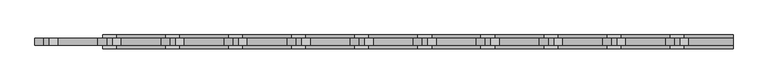
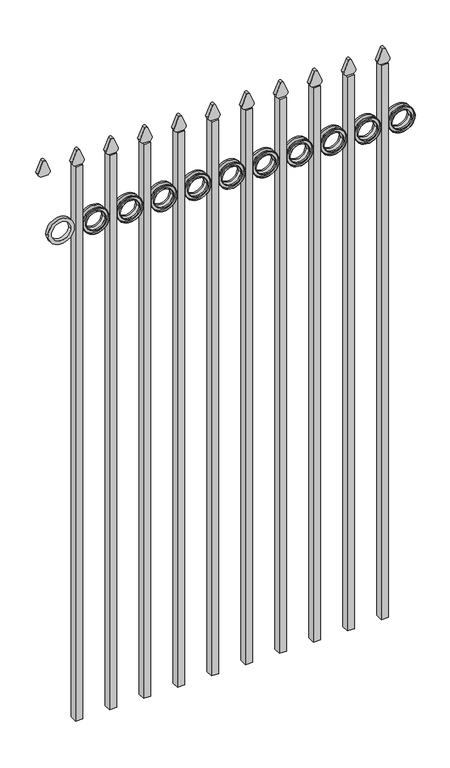
"""IFC4 building model written with IfcOpenShell, lengths in millimetres: railing geometry."""

from ifc_helpers import new_model, si_unit, point, frame, frame_2d, origin, place, context, project, spatial, polyline, circle_curve, trimmed, segment, composite_curve, outline, extrude, source, transform, mapped, element, save


def railing_c1eb9f95(model_context):
    return source(origin(), model_context, "Body", "SweptSolid", [
        extrude(outline(composite_curve([segment(polyline([(2074.2798417, -22591.9399936), (2074.2798417, -22566.2493116)]), True, "CONTINUOUS"), segment(trimmed(circle_curve(frame_2d((2092.5299402, -22580.4122336)), 23.1009622), [point((2074.2798417, -22566.2493116))], [point((2087.0676176, -22557.9663545))], False, "CARTESIAN"), True, "CONTINUOUS"), segment(polyline([(2087.0676176, -22557.9663545), (2127.5555225, -22574.2855644)]), True, "CONTINUOUS"), segment(trimmed(circle_curve(frame_2d((2124.4045804, -22579.4155764)), 6.0204202), [point((2127.5555225, -22574.2855644))], [point((2127.5555225, -22584.5455884))], False, "CARTESIAN"), True, "CONTINUOUS"), segment(polyline([(2127.5555225, -22584.5455884), (2088.3339948, -22600.4937724)]), True, "CONTINUOUS"), segment(trimmed(circle_curve(frame_2d((2092.5299402, -22577.7770716)), 23.1009622), [point((2088.3339948, -22600.4937724))], [point((2074.2798417, -22591.9399936))], False, "CARTESIAN"), True, "CONTINUOUS")], self_intersect=False)), frame((0.0, 8838.569541, 0.0), z_axis=(0.0, 1.0, 0.0), x_axis=(0.0, 0.0, 1.0)), (0.0, 0.0, 1.0), 12.7),
        extrude(outline(composite_curve([segment(trimmed(circle_curve(frame_2d((1851.7853669, -22520.4442595)), 45.6988591), [point((1851.7853669, -22474.7454004))], [point((1851.7853669, -22566.1431186))], False, "CARTESIAN"), True, "CONTINUOUS"), segment(trimmed(circle_curve(frame_2d((1851.7853669, -22520.4442595)), 45.6988591), [point((1851.7853669, -22566.1431186))], [point((1851.7853669, -22474.7454004))], False, "CARTESIAN"), True, "CONTINUOUS")], self_intersect=False), holes=[composite_curve([segment(trimmed(circle_curve(frame_2d((1851.7853669, -22520.4442595)), 33.0443887), [point((1851.7853669, -22487.3998708))], [point((1851.7853669, -22553.4886482))], True, "CARTESIAN"), True, "CONTINUOUS"), segment(trimmed(circle_curve(frame_2d((1851.7853669, -22520.4442595)), 33.0443887), [point((1851.7853669, -22553.4886482))], [point((1851.7853669, -22487.3998708))], True, "CARTESIAN"), True, "CONTINUOUS")], self_intersect=False)]), frame((0.0, 8838.569541, 0.0), z_axis=(0.0, 1.0, 0.0), x_axis=(0.0, 0.0, 1.0)), (0.0, 0.0, 1.0), 12.7),
        extrude(outline(polyline([(-22591.9399936, 8857.619541), (-22566.5399936, 8857.619541), (-22566.5399936, 8832.219541), (-22591.9399936, 8832.219541), (-22591.9399936, 8857.619541)])), frame((0.0, 0.0, 50.8), z_axis=(0.0, 0.0, 1.0), x_axis=(1.0, 0.0, 0.0)), (0.0, 0.0, 1.0), 2023.2579232),
        extrude(outline(composite_curve([segment(trimmed(circle_curve(frame_2d((1851.7853669, -22520.4442595)), 45.6988591), [point((1851.7853669, -22474.7454004))], [point((1851.7853669, -22566.1431186))], False, "CARTESIAN"), True, "CONTINUOUS"), segment(trimmed(circle_curve(frame_2d((1851.7853669, -22520.4442595)), 45.6988591), [point((1851.7853669, -22566.1431186))], [point((1851.7853669, -22474.7454004))], False, "CARTESIAN"), True, "CONTINUOUS")], self_intersect=False), holes=[composite_curve([segment(trimmed(circle_curve(frame_2d((1851.7853669, -22520.4442595)), 44.101539), [point((1851.7853669, -22476.3427205))], [point((1851.7853669, -22564.5457985))], True, "CARTESIAN"), True, "CONTINUOUS"), segment(trimmed(circle_curve(frame_2d((1851.7853669, -22520.4442595)), 44.101539), [point((1851.7853669, -22564.5457985))], [point((1851.7853669, -22476.3427205))], True, "CARTESIAN"), True, "CONTINUOUS")], self_intersect=False)]), frame((0.0, 8832.219541, 0.0), z_axis=(0.0, 1.0, 0.0), x_axis=(0.0, 0.0, 1.0)), (0.0, 0.0, 1.0), 25.4),
        extrude(outline(composite_curve([segment(trimmed(circle_curve(frame_2d((1851.7853669, -22520.4442595)), 34.6370762), [point((1851.7853669, -22485.8071833))], [point((1851.7853669, -22555.0813357))], False, "CARTESIAN"), True, "CONTINUOUS"), segment(trimmed(circle_curve(frame_2d((1851.7853669, -22520.4442595)), 34.6370762), [point((1851.7853669, -22555.0813357))], [point((1851.7853669, -22485.8071833))], False, "CARTESIAN"), True, "CONTINUOUS")], self_intersect=False), holes=[composite_curve([segment(trimmed(circle_curve(frame_2d((1851.7853669, -22520.4442595)), 33.0443887), [point((1851.7853669, -22487.3998708))], [point((1851.7853669, -22553.4886482))], True, "CARTESIAN"), True, "CONTINUOUS"), segment(trimmed(circle_curve(frame_2d((1851.7853669, -22520.4442595)), 33.0443887), [point((1851.7853669, -22553.4886482))], [point((1851.7853669, -22487.3998708))], True, "CARTESIAN"), True, "CONTINUOUS")], self_intersect=False)]), frame((0.0, 8832.219541, 0.0), z_axis=(0.0, 1.0, 0.0), x_axis=(0.0, 0.0, 1.0)), (0.0, 0.0, 1.0), 25.4),
        extrude(outline(composite_curve([segment(polyline([(2074.2798417, -22709.4149936), (2074.2798417, -22683.7243116)]), True, "CONTINUOUS"), segment(trimmed(circle_curve(frame_2d((2092.5299402, -22697.8872336)), 23.1009622), [point((2074.2798417, -22683.7243116))], [point((2087.0676176, -22675.4413545))], False, "CARTESIAN"), True, "CONTINUOUS"), segment(polyline([(2087.0676176, -22675.4413545), (2127.5555225, -22691.7605644)]), True, "CONTINUOUS"), segment(trimmed(circle_curve(frame_2d((2124.4045804, -22696.8905764)), 6.0204202), [point((2127.5555225, -22691.7605644))], [point((2127.5555225, -22702.0205884))], False, "CARTESIAN"), True, "CONTINUOUS"), segment(polyline([(2127.5555225, -22702.0205884), (2088.3339948, -22717.9687724)]), True, "CONTINUOUS"), segment(trimmed(circle_curve(frame_2d((2092.5299402, -22695.2520716)), 23.1009622), [point((2088.3339948, -22717.9687724))], [point((2074.2798417, -22709.4149936))], False, "CARTESIAN"), True, "CONTINUOUS")], self_intersect=False)), frame((0.0, 8838.569541, 0.0), z_axis=(0.0, 1.0, 0.0), x_axis=(0.0, 0.0, 1.0)), (0.0, 0.0, 1.0), 12.7),
        extrude(outline(composite_curve([segment(trimmed(circle_curve(frame_2d((1851.7853669, -22637.9192595)), 45.6988591), [point((1851.7853669, -22592.2204004))], [point((1851.7853669, -22683.6181186))], False, "CARTESIAN"), True, "CONTINUOUS"), segment(trimmed(circle_curve(frame_2d((1851.7853669, -22637.9192595)), 45.6988591), [point((1851.7853669, -22683.6181186))], [point((1851.7853669, -22592.2204004))], False, "CARTESIAN"), True, "CONTINUOUS")], self_intersect=False), holes=[composite_curve([segment(trimmed(circle_curve(frame_2d((1851.7853669, -22637.9192595)), 33.0443887), [point((1851.7853669, -22604.8748708))], [point((1851.7853669, -22670.9636482))], True, "CARTESIAN"), True, "CONTINUOUS"), segment(trimmed(circle_curve(frame_2d((1851.7853669, -22637.9192595)), 33.0443887), [point((1851.7853669, -22670.9636482))], [point((1851.7853669, -22604.8748708))], True, "CARTESIAN"), True, "CONTINUOUS")], self_intersect=False)]), frame((0.0, 8838.569541, 0.0), z_axis=(0.0, 1.0, 0.0), x_axis=(0.0, 0.0, 1.0)), (0.0, 0.0, 1.0), 12.7),
        extrude(outline(polyline([(-22709.4149936, 8857.619541), (-22684.0149936, 8857.619541), (-22684.0149936, 8832.219541), (-22709.4149936, 8832.219541), (-22709.4149936, 8857.619541)])), frame((0.0, 0.0, 50.8), z_axis=(0.0, 0.0, 1.0), x_axis=(1.0, 0.0, 0.0)), (0.0, 0.0, 1.0), 2023.2579232),
        extrude(outline(composite_curve([segment(trimmed(circle_curve(frame_2d((1851.7853669, -22637.9192595)), 45.6988591), [point((1851.7853669, -22592.2204004))], [point((1851.7853669, -22683.6181186))], False, "CARTESIAN"), True, "CONTINUOUS"), segment(trimmed(circle_curve(frame_2d((1851.7853669, -22637.9192595)), 45.6988591), [point((1851.7853669, -22683.6181186))], [point((1851.7853669, -22592.2204004))], False, "CARTESIAN"), True, "CONTINUOUS")], self_intersect=False), holes=[composite_curve([segment(trimmed(circle_curve(frame_2d((1851.7853669, -22637.9192595)), 44.101539), [point((1851.7853669, -22593.8177205))], [point((1851.7853669, -22682.0207985))], True, "CARTESIAN"), True, "CONTINUOUS"), segment(trimmed(circle_curve(frame_2d((1851.7853669, -22637.9192595)), 44.101539), [point((1851.7853669, -22682.0207985))], [point((1851.7853669, -22593.8177205))], True, "CARTESIAN"), True, "CONTINUOUS")], self_intersect=False)]), frame((0.0, 8832.219541, 0.0), z_axis=(0.0, 1.0, 0.0), x_axis=(0.0, 0.0, 1.0)), (0.0, 0.0, 1.0), 25.4),
        extrude(outline(composite_curve([segment(trimmed(circle_curve(frame_2d((1851.7853669, -22637.9192595)), 34.6370762), [point((1851.7853669, -22603.2821833))], [point((1851.7853669, -22672.5563357))], False, "CARTESIAN"), True, "CONTINUOUS"), segment(trimmed(circle_curve(frame_2d((1851.7853669, -22637.9192595)), 34.6370762), [point((1851.7853669, -22672.5563357))], [point((1851.7853669, -22603.2821833))], False, "CARTESIAN"), True, "CONTINUOUS")], self_intersect=False), holes=[composite_curve([segment(trimmed(circle_curve(frame_2d((1851.7853669, -22637.9192595)), 33.0443887), [point((1851.7853669, -22604.8748708))], [point((1851.7853669, -22670.9636482))], True, "CARTESIAN"), True, "CONTINUOUS"), segment(trimmed(circle_curve(frame_2d((1851.7853669, -22637.9192595)), 33.0443887), [point((1851.7853669, -22670.9636482))], [point((1851.7853669, -22604.8748708))], True, "CARTESIAN"), True, "CONTINUOUS")], self_intersect=False)]), frame((0.0, 8832.219541, 0.0), z_axis=(0.0, 1.0, 0.0), x_axis=(0.0, 0.0, 1.0)), (0.0, 0.0, 1.0), 25.4),
        extrude(outline(composite_curve([segment(polyline([(2074.2798417, -22826.8899936), (2074.2798417, -22801.1993116)]), True, "CONTINUOUS"), segment(trimmed(circle_curve(frame_2d((2092.5299402, -22815.3622336)), 23.1009622), [point((2074.2798417, -22801.1993116))], [point((2087.0676176, -22792.9163545))], False, "CARTESIAN"), True, "CONTINUOUS"), segment(polyline([(2087.0676176, -22792.9163545), (2127.5555225, -22809.2355644)]), True, "CONTINUOUS"), segment(trimmed(circle_curve(frame_2d((2124.4045804, -22814.3655764)), 6.0204202), [point((2127.5555225, -22809.2355644))], [point((2127.5555225, -22819.4955884))], False, "CARTESIAN"), True, "CONTINUOUS"), segment(polyline([(2127.5555225, -22819.4955884), (2088.3339948, -22835.4437724)]), True, "CONTINUOUS"), segment(trimmed(circle_curve(frame_2d((2092.5299402, -22812.7270716)), 23.1009622), [point((2088.3339948, -22835.4437724))], [point((2074.2798417, -22826.8899936))], False, "CARTESIAN"), True, "CONTINUOUS")], self_intersect=False)), frame((0.0, 8838.569541, 0.0), z_axis=(0.0, 1.0, 0.0), x_axis=(0.0, 0.0, 1.0)), (0.0, 0.0, 1.0), 12.7),
        extrude(outline(composite_curve([segment(trimmed(circle_curve(frame_2d((1851.7853669, -22755.3942595)), 45.6988591), [point((1851.7853669, -22709.6954004))], [point((1851.7853669, -22801.0931186))], False, "CARTESIAN"), True, "CONTINUOUS"), segment(trimmed(circle_curve(frame_2d((1851.7853669, -22755.3942595)), 45.6988591), [point((1851.7853669, -22801.0931186))], [point((1851.7853669, -22709.6954004))], False, "CARTESIAN"), True, "CONTINUOUS")], self_intersect=False), holes=[composite_curve([segment(trimmed(circle_curve(frame_2d((1851.7853669, -22755.3942595)), 33.0443887), [point((1851.7853669, -22722.3498708))], [point((1851.7853669, -22788.4386482))], True, "CARTESIAN"), True, "CONTINUOUS"), segment(trimmed(circle_curve(frame_2d((1851.7853669, -22755.3942595)), 33.0443887), [point((1851.7853669, -22788.4386482))], [point((1851.7853669, -22722.3498708))], True, "CARTESIAN"), True, "CONTINUOUS")], self_intersect=False)]), frame((0.0, 8838.569541, 0.0), z_axis=(0.0, 1.0, 0.0), x_axis=(0.0, 0.0, 1.0)), (0.0, 0.0, 1.0), 12.7),
        extrude(outline(polyline([(-22826.8899936, 8857.619541), (-22801.4899936, 8857.619541), (-22801.4899936, 8832.219541), (-22826.8899936, 8832.219541), (-22826.8899936, 8857.619541)])), frame((0.0, 0.0, 50.8), z_axis=(0.0, 0.0, 1.0), x_axis=(1.0, 0.0, 0.0)), (0.0, 0.0, 1.0), 2023.2579232),
        extrude(outline(composite_curve([segment(trimmed(circle_curve(frame_2d((1851.7853669, -22755.3942595)), 45.6988591), [point((1851.7853669, -22709.6954004))], [point((1851.7853669, -22801.0931186))], False, "CARTESIAN"), True, "CONTINUOUS"), segment(trimmed(circle_curve(frame_2d((1851.7853669, -22755.3942595)), 45.6988591), [point((1851.7853669, -22801.0931186))], [point((1851.7853669, -22709.6954004))], False, "CARTESIAN"), True, "CONTINUOUS")], self_intersect=False), holes=[composite_curve([segment(trimmed(circle_curve(frame_2d((1851.7853669, -22755.3942595)), 44.101539), [point((1851.7853669, -22711.2927205))], [point((1851.7853669, -22799.4957985))], True, "CARTESIAN"), True, "CONTINUOUS"), segment(trimmed(circle_curve(frame_2d((1851.7853669, -22755.3942595)), 44.101539), [point((1851.7853669, -22799.4957985))], [point((1851.7853669, -22711.2927205))], True, "CARTESIAN"), True, "CONTINUOUS")], self_intersect=False)]), frame((0.0, 8832.219541, 0.0), z_axis=(0.0, 1.0, 0.0), x_axis=(0.0, 0.0, 1.0)), (0.0, 0.0, 1.0), 25.4),
        extrude(outline(composite_curve([segment(trimmed(circle_curve(frame_2d((1851.7853669, -22755.3942595)), 34.6370762), [point((1851.7853669, -22720.7571833))], [point((1851.7853669, -22790.0313357))], False, "CARTESIAN"), True, "CONTINUOUS"), segment(trimmed(circle_curve(frame_2d((1851.7853669, -22755.3942595)), 34.6370762), [point((1851.7853669, -22790.0313357))], [point((1851.7853669, -22720.7571833))], False, "CARTESIAN"), True, "CONTINUOUS")], self_intersect=False), holes=[composite_curve([segment(trimmed(circle_curve(frame_2d((1851.7853669, -22755.3942595)), 33.0443887), [point((1851.7853669, -22722.3498708))], [point((1851.7853669, -22788.4386482))], True, "CARTESIAN"), True, "CONTINUOUS"), segment(trimmed(circle_curve(frame_2d((1851.7853669, -22755.3942595)), 33.0443887), [point((1851.7853669, -22788.4386482))], [point((1851.7853669, -22722.3498708))], True, "CARTESIAN"), True, "CONTINUOUS")], self_intersect=False)]), frame((0.0, 8832.219541, 0.0), z_axis=(0.0, 1.0, 0.0), x_axis=(0.0, 0.0, 1.0)), (0.0, 0.0, 1.0), 25.4),
        extrude(outline(composite_curve([segment(polyline([(2074.2798417, -22944.3649936), (2074.2798417, -22918.6743116)]), True, "CONTINUOUS"), segment(trimmed(circle_curve(frame_2d((2092.5299402, -22932.8372336)), 23.1009622), [point((2074.2798417, -22918.6743116))], [point((2087.0676176, -22910.3913545))], False, "CARTESIAN"), True, "CONTINUOUS"), segment(polyline([(2087.0676176, -22910.3913545), (2127.5555225, -22926.7105644)]), True, "CONTINUOUS"), segment(trimmed(circle_curve(frame_2d((2124.4045804, -22931.8405764)), 6.0204202), [point((2127.5555225, -22926.7105644))], [point((2127.5555225, -22936.9705884))], False, "CARTESIAN"), True, "CONTINUOUS"), segment(polyline([(2127.5555225, -22936.9705884), (2088.3339948, -22952.9187724)]), True, "CONTINUOUS"), segment(trimmed(circle_curve(frame_2d((2092.5299402, -22930.2020716)), 23.1009622), [point((2088.3339948, -22952.9187724))], [point((2074.2798417, -22944.3649936))], False, "CARTESIAN"), True, "CONTINUOUS")], self_intersect=False)), frame((0.0, 8838.569541, 0.0), z_axis=(0.0, 1.0, 0.0), x_axis=(0.0, 0.0, 1.0)), (0.0, 0.0, 1.0), 12.7),
        extrude(outline(composite_curve([segment(trimmed(circle_curve(frame_2d((1851.7853669, -22872.8692595)), 45.6988591), [point((1851.7853669, -22827.1704004))], [point((1851.7853669, -22918.5681186))], False, "CARTESIAN"), True, "CONTINUOUS"), segment(trimmed(circle_curve(frame_2d((1851.7853669, -22872.8692595)), 45.6988591), [point((1851.7853669, -22918.5681186))], [point((1851.7853669, -22827.1704004))], False, "CARTESIAN"), True, "CONTINUOUS")], self_intersect=False), holes=[composite_curve([segment(trimmed(circle_curve(frame_2d((1851.7853669, -22872.8692595)), 33.0443887), [point((1851.7853669, -22839.8248708))], [point((1851.7853669, -22905.9136482))], True, "CARTESIAN"), True, "CONTINUOUS"), segment(trimmed(circle_curve(frame_2d((1851.7853669, -22872.8692595)), 33.0443887), [point((1851.7853669, -22905.9136482))], [point((1851.7853669, -22839.8248708))], True, "CARTESIAN"), True, "CONTINUOUS")], self_intersect=False)]), frame((0.0, 8838.569541, 0.0), z_axis=(0.0, 1.0, 0.0), x_axis=(0.0, 0.0, 1.0)), (0.0, 0.0, 1.0), 12.7),
        extrude(outline(polyline([(-22944.3649936, 8857.619541), (-22918.9649936, 8857.619541), (-22918.9649936, 8832.219541), (-22944.3649936, 8832.219541), (-22944.3649936, 8857.619541)])), frame((0.0, 0.0, 50.8), z_axis=(0.0, 0.0, 1.0), x_axis=(1.0, 0.0, 0.0)), (0.0, 0.0, 1.0), 2023.2579232),
        extrude(outline(composite_curve([segment(trimmed(circle_curve(frame_2d((1851.7853669, -22872.8692595)), 45.6988591), [point((1851.7853669, -22827.1704004))], [point((1851.7853669, -22918.5681186))], False, "CARTESIAN"), True, "CONTINUOUS"), segment(trimmed(circle_curve(frame_2d((1851.7853669, -22872.8692595)), 45.6988591), [point((1851.7853669, -22918.5681186))], [point((1851.7853669, -22827.1704004))], False, "CARTESIAN"), True, "CONTINUOUS")], self_intersect=False), holes=[composite_curve([segment(trimmed(circle_curve(frame_2d((1851.7853669, -22872.8692595)), 44.101539), [point((1851.7853669, -22828.7677205))], [point((1851.7853669, -22916.9707985))], True, "CARTESIAN"), True, "CONTINUOUS"), segment(trimmed(circle_curve(frame_2d((1851.7853669, -22872.8692595)), 44.101539), [point((1851.7853669, -22916.9707985))], [point((1851.7853669, -22828.7677205))], True, "CARTESIAN"), True, "CONTINUOUS")], self_intersect=False)]), frame((0.0, 8832.219541, 0.0), z_axis=(0.0, 1.0, 0.0), x_axis=(0.0, 0.0, 1.0)), (0.0, 0.0, 1.0), 25.4),
        extrude(outline(composite_curve([segment(trimmed(circle_curve(frame_2d((1851.7853669, -22872.8692595)), 34.6370762), [point((1851.7853669, -22838.2321833))], [point((1851.7853669, -22907.5063357))], False, "CARTESIAN"), True, "CONTINUOUS"), segment(trimmed(circle_curve(frame_2d((1851.7853669, -22872.8692595)), 34.6370762), [point((1851.7853669, -22907.5063357))], [point((1851.7853669, -22838.2321833))], False, "CARTESIAN"), True, "CONTINUOUS")], self_intersect=False), holes=[composite_curve([segment(trimmed(circle_curve(frame_2d((1851.7853669, -22872.8692595)), 33.0443887), [point((1851.7853669, -22839.8248708))], [point((1851.7853669, -22905.9136482))], True, "CARTESIAN"), True, "CONTINUOUS"), segment(trimmed(circle_curve(frame_2d((1851.7853669, -22872.8692595)), 33.0443887), [point((1851.7853669, -22905.9136482))], [point((1851.7853669, -22839.8248708))], True, "CARTESIAN"), True, "CONTINUOUS")], self_intersect=False)]), frame((0.0, 8832.219541, 0.0), z_axis=(0.0, 1.0, 0.0), x_axis=(0.0, 0.0, 1.0)), (0.0, 0.0, 1.0), 25.4),
        extrude(outline(composite_curve([segment(polyline([(2074.2798417, -23061.8399936), (2074.2798417, -23036.1493116)]), True, "CONTINUOUS"), segment(trimmed(circle_curve(frame_2d((2092.5299402, -23050.3122336)), 23.1009622), [point((2074.2798417, -23036.1493116))], [point((2087.0676176, -23027.8663545))], False, "CARTESIAN"), True, "CONTINUOUS"), segment(polyline([(2087.0676176, -23027.8663545), (2127.5555225, -23044.1855644)]), True, "CONTINUOUS"), segment(trimmed(circle_curve(frame_2d((2124.4045804, -23049.3155764)), 6.0204202), [point((2127.5555225, -23044.1855644))], [point((2127.5555225, -23054.4455884))], False, "CARTESIAN"), True, "CONTINUOUS"), segment(polyline([(2127.5555225, -23054.4455884), (2088.3339948, -23070.3937724)]), True, "CONTINUOUS"), segment(trimmed(circle_curve(frame_2d((2092.5299402, -23047.6770716)), 23.1009622), [point((2088.3339948, -23070.3937724))], [point((2074.2798417, -23061.8399936))], False, "CARTESIAN"), True, "CONTINUOUS")], self_intersect=False)), frame((0.0, 8838.569541, 0.0), z_axis=(0.0, 1.0, 0.0), x_axis=(0.0, 0.0, 1.0)), (0.0, 0.0, 1.0), 12.7),
        extrude(outline(composite_curve([segment(trimmed(circle_curve(frame_2d((1851.7853669, -22990.3442595)), 45.6988591), [point((1851.7853669, -22944.6454004))], [point((1851.7853669, -23036.0431186))], False, "CARTESIAN"), True, "CONTINUOUS"), segment(trimmed(circle_curve(frame_2d((1851.7853669, -22990.3442595)), 45.6988591), [point((1851.7853669, -23036.0431186))], [point((1851.7853669, -22944.6454004))], False, "CARTESIAN"), True, "CONTINUOUS")], self_intersect=False), holes=[composite_curve([segment(trimmed(circle_curve(frame_2d((1851.7853669, -22990.3442595)), 33.0443887), [point((1851.7853669, -22957.2998708))], [point((1851.7853669, -23023.3886482))], True, "CARTESIAN"), True, "CONTINUOUS"), segment(trimmed(circle_curve(frame_2d((1851.7853669, -22990.3442595)), 33.0443887), [point((1851.7853669, -23023.3886482))], [point((1851.7853669, -22957.2998708))], True, "CARTESIAN"), True, "CONTINUOUS")], self_intersect=False)]), frame((0.0, 8838.569541, 0.0), z_axis=(0.0, 1.0, 0.0), x_axis=(0.0, 0.0, 1.0)), (0.0, 0.0, 1.0), 12.7),
        extrude(outline(polyline([(-23061.8399936, 8857.619541), (-23036.4399936, 8857.619541), (-23036.4399936, 8832.219541), (-23061.8399936, 8832.219541), (-23061.8399936, 8857.619541)])), frame((0.0, 0.0, 50.8), z_axis=(0.0, 0.0, 1.0), x_axis=(1.0, 0.0, 0.0)), (0.0, 0.0, 1.0), 2023.2579232),
        extrude(outline(composite_curve([segment(trimmed(circle_curve(frame_2d((1851.7853669, -22990.3442595)), 45.6988591), [point((1851.7853669, -22944.6454004))], [point((1851.7853669, -23036.0431186))], False, "CARTESIAN"), True, "CONTINUOUS"), segment(trimmed(circle_curve(frame_2d((1851.7853669, -22990.3442595)), 45.6988591), [point((1851.7853669, -23036.0431186))], [point((1851.7853669, -22944.6454004))], False, "CARTESIAN"), True, "CONTINUOUS")], self_intersect=False), holes=[composite_curve([segment(trimmed(circle_curve(frame_2d((1851.7853669, -22990.3442595)), 44.101539), [point((1851.7853669, -22946.2427205))], [point((1851.7853669, -23034.4457985))], True, "CARTESIAN"), True, "CONTINUOUS"), segment(trimmed(circle_curve(frame_2d((1851.7853669, -22990.3442595)), 44.101539), [point((1851.7853669, -23034.4457985))], [point((1851.7853669, -22946.2427205))], True, "CARTESIAN"), True, "CONTINUOUS")], self_intersect=False)]), frame((0.0, 8832.219541, 0.0), z_axis=(0.0, 1.0, 0.0), x_axis=(0.0, 0.0, 1.0)), (0.0, 0.0, 1.0), 25.4),
        extrude(outline(composite_curve([segment(trimmed(circle_curve(frame_2d((1851.7853669, -22990.3442595)), 34.6370762), [point((1851.7853669, -22955.7071833))], [point((1851.7853669, -23024.9813357))], False, "CARTESIAN"), True, "CONTINUOUS"), segment(trimmed(circle_curve(frame_2d((1851.7853669, -22990.3442595)), 34.6370762), [point((1851.7853669, -23024.9813357))], [point((1851.7853669, -22955.7071833))], False, "CARTESIAN"), True, "CONTINUOUS")], self_intersect=False), holes=[composite_curve([segment(trimmed(circle_curve(frame_2d((1851.7853669, -22990.3442595)), 33.0443887), [point((1851.7853669, -22957.2998708))], [point((1851.7853669, -23023.3886482))], True, "CARTESIAN"), True, "CONTINUOUS"), segment(trimmed(circle_curve(frame_2d((1851.7853669, -22990.3442595)), 33.0443887), [point((1851.7853669, -23023.3886482))], [point((1851.7853669, -22957.2998708))], True, "CARTESIAN"), True, "CONTINUOUS")], self_intersect=False)]), frame((0.0, 8832.219541, 0.0), z_axis=(0.0, 1.0, 0.0), x_axis=(0.0, 0.0, 1.0)), (0.0, 0.0, 1.0), 25.4),
        extrude(outline(composite_curve([segment(polyline([(2074.2798417, -23179.3149936), (2074.2798417, -23153.6243116)]), True, "CONTINUOUS"), segment(trimmed(circle_curve(frame_2d((2092.5299402, -23167.7872336)), 23.1009622), [point((2074.2798417, -23153.6243116))], [point((2087.0676176, -23145.3413545))], False, "CARTESIAN"), True, "CONTINUOUS"), segment(polyline([(2087.0676176, -23145.3413545), (2127.5555225, -23161.6605644)]), True, "CONTINUOUS"), segment(trimmed(circle_curve(frame_2d((2124.4045804, -23166.7905764)), 6.0204202), [point((2127.5555225, -23161.6605644))], [point((2127.5555225, -23171.9205884))], False, "CARTESIAN"), True, "CONTINUOUS"), segment(polyline([(2127.5555225, -23171.9205884), (2088.3339948, -23187.8687724)]), True, "CONTINUOUS"), segment(trimmed(circle_curve(frame_2d((2092.5299402, -23165.1520716)), 23.1009622), [point((2088.3339948, -23187.8687724))], [point((2074.2798417, -23179.3149936))], False, "CARTESIAN"), True, "CONTINUOUS")], self_intersect=False)), frame((0.0, 8838.569541, 0.0), z_axis=(0.0, 1.0, 0.0), x_axis=(0.0, 0.0, 1.0)), (0.0, 0.0, 1.0), 12.7),
        extrude(outline(composite_curve([segment(trimmed(circle_curve(frame_2d((1851.7853669, -23107.8192595)), 45.6988591), [point((1851.7853669, -23062.1204004))], [point((1851.7853669, -23153.5181186))], False, "CARTESIAN"), True, "CONTINUOUS"), segment(trimmed(circle_curve(frame_2d((1851.7853669, -23107.8192595)), 45.6988591), [point((1851.7853669, -23153.5181186))], [point((1851.7853669, -23062.1204004))], False, "CARTESIAN"), True, "CONTINUOUS")], self_intersect=False), holes=[composite_curve([segment(trimmed(circle_curve(frame_2d((1851.7853669, -23107.8192595)), 33.0443887), [point((1851.7853669, -23074.7748708))], [point((1851.7853669, -23140.8636482))], True, "CARTESIAN"), True, "CONTINUOUS"), segment(trimmed(circle_curve(frame_2d((1851.7853669, -23107.8192595)), 33.0443887), [point((1851.7853669, -23140.8636482))], [point((1851.7853669, -23074.7748708))], True, "CARTESIAN"), True, "CONTINUOUS")], self_intersect=False)]), frame((0.0, 8838.569541, 0.0), z_axis=(0.0, 1.0, 0.0), x_axis=(0.0, 0.0, 1.0)), (0.0, 0.0, 1.0), 12.7),
        extrude(outline(polyline([(-23179.3149936, 8857.619541), (-23153.9149936, 8857.619541), (-23153.9149936, 8832.219541), (-23179.3149936, 8832.219541), (-23179.3149936, 8857.619541)])), frame((0.0, 0.0, 50.8), z_axis=(0.0, 0.0, 1.0), x_axis=(1.0, 0.0, 0.0)), (0.0, 0.0, 1.0), 2023.2579232),
        extrude(outline(composite_curve([segment(trimmed(circle_curve(frame_2d((1851.7853669, -23107.8192595)), 45.6988591), [point((1851.7853669, -23062.1204004))], [point((1851.7853669, -23153.5181186))], False, "CARTESIAN"), True, "CONTINUOUS"), segment(trimmed(circle_curve(frame_2d((1851.7853669, -23107.8192595)), 45.6988591), [point((1851.7853669, -23153.5181186))], [point((1851.7853669, -23062.1204004))], False, "CARTESIAN"), True, "CONTINUOUS")], self_intersect=False), holes=[composite_curve([segment(trimmed(circle_curve(frame_2d((1851.7853669, -23107.8192595)), 44.101539), [point((1851.7853669, -23063.7177205))], [point((1851.7853669, -23151.9207985))], True, "CARTESIAN"), True, "CONTINUOUS"), segment(trimmed(circle_curve(frame_2d((1851.7853669, -23107.8192595)), 44.101539), [point((1851.7853669, -23151.9207985))], [point((1851.7853669, -23063.7177205))], True, "CARTESIAN"), True, "CONTINUOUS")], self_intersect=False)]), frame((0.0, 8832.219541, 0.0), z_axis=(0.0, 1.0, 0.0), x_axis=(0.0, 0.0, 1.0)), (0.0, 0.0, 1.0), 25.4),
        extrude(outline(composite_curve([segment(trimmed(circle_curve(frame_2d((1851.7853669, -23107.8192595)), 34.6370762), [point((1851.7853669, -23073.1821833))], [point((1851.7853669, -23142.4563357))], False, "CARTESIAN"), True, "CONTINUOUS"), segment(trimmed(circle_curve(frame_2d((1851.7853669, -23107.8192595)), 34.6370762), [point((1851.7853669, -23142.4563357))], [point((1851.7853669, -23073.1821833))], False, "CARTESIAN"), True, "CONTINUOUS")], self_intersect=False), holes=[composite_curve([segment(trimmed(circle_curve(frame_2d((1851.7853669, -23107.8192595)), 33.0443887), [point((1851.7853669, -23074.7748708))], [point((1851.7853669, -23140.8636482))], True, "CARTESIAN"), True, "CONTINUOUS"), segment(trimmed(circle_curve(frame_2d((1851.7853669, -23107.8192595)), 33.0443887), [point((1851.7853669, -23140.8636482))], [point((1851.7853669, -23074.7748708))], True, "CARTESIAN"), True, "CONTINUOUS")], self_intersect=False)]), frame((0.0, 8832.219541, 0.0), z_axis=(0.0, 1.0, 0.0), x_axis=(0.0, 0.0, 1.0)), (0.0, 0.0, 1.0), 25.4),
        extrude(outline(composite_curve([segment(polyline([(2074.2798417, -23296.7899936), (2074.2798417, -23271.0993116)]), True, "CONTINUOUS"), segment(trimmed(circle_curve(frame_2d((2092.5299402, -23285.2622336)), 23.1009622), [point((2074.2798417, -23271.0993116))], [point((2087.0676176, -23262.8163545))], False, "CARTESIAN"), True, "CONTINUOUS"), segment(polyline([(2087.0676176, -23262.8163545), (2127.5555225, -23279.1355644)]), True, "CONTINUOUS"), segment(trimmed(circle_curve(frame_2d((2124.4045804, -23284.2655764)), 6.0204202), [point((2127.5555225, -23279.1355644))], [point((2127.5555225, -23289.3955884))], False, "CARTESIAN"), True, "CONTINUOUS"), segment(polyline([(2127.5555225, -23289.3955884), (2088.3339948, -23305.3437724)]), True, "CONTINUOUS"), segment(trimmed(circle_curve(frame_2d((2092.5299402, -23282.6270716)), 23.1009622), [point((2088.3339948, -23305.3437724))], [point((2074.2798417, -23296.7899936))], False, "CARTESIAN"), True, "CONTINUOUS")], self_intersect=False)), frame((0.0, 8838.569541, 0.0), z_axis=(0.0, 1.0, 0.0), x_axis=(0.0, 0.0, 1.0)), (0.0, 0.0, 1.0), 12.7),
        extrude(outline(composite_curve([segment(trimmed(circle_curve(frame_2d((1851.7853669, -23225.2942595)), 45.6988591), [point((1851.7853669, -23179.5954004))], [point((1851.7853669, -23270.9931186))], False, "CARTESIAN"), True, "CONTINUOUS"), segment(trimmed(circle_curve(frame_2d((1851.7853669, -23225.2942595)), 45.6988591), [point((1851.7853669, -23270.9931186))], [point((1851.7853669, -23179.5954004))], False, "CARTESIAN"), True, "CONTINUOUS")], self_intersect=False), holes=[composite_curve([segment(trimmed(circle_curve(frame_2d((1851.7853669, -23225.2942595)), 33.0443887), [point((1851.7853669, -23192.2498708))], [point((1851.7853669, -23258.3386482))], True, "CARTESIAN"), True, "CONTINUOUS"), segment(trimmed(circle_curve(frame_2d((1851.7853669, -23225.2942595)), 33.0443887), [point((1851.7853669, -23258.3386482))], [point((1851.7853669, -23192.2498708))], True, "CARTESIAN"), True, "CONTINUOUS")], self_intersect=False)]), frame((0.0, 8838.569541, 0.0), z_axis=(0.0, 1.0, 0.0), x_axis=(0.0, 0.0, 1.0)), (0.0, 0.0, 1.0), 12.7),
        extrude(outline(polyline([(-23296.7899936, 8857.619541), (-23271.3899936, 8857.619541), (-23271.3899936, 8832.219541), (-23296.7899936, 8832.219541), (-23296.7899936, 8857.619541)])), frame((0.0, 0.0, 50.8), z_axis=(0.0, 0.0, 1.0), x_axis=(1.0, 0.0, 0.0)), (0.0, 0.0, 1.0), 2023.2579232),
        extrude(outline(composite_curve([segment(trimmed(circle_curve(frame_2d((1851.7853669, -23225.2942595)), 45.6988591), [point((1851.7853669, -23179.5954004))], [point((1851.7853669, -23270.9931186))], False, "CARTESIAN"), True, "CONTINUOUS"), segment(trimmed(circle_curve(frame_2d((1851.7853669, -23225.2942595)), 45.6988591), [point((1851.7853669, -23270.9931186))], [point((1851.7853669, -23179.5954004))], False, "CARTESIAN"), True, "CONTINUOUS")], self_intersect=False), holes=[composite_curve([segment(trimmed(circle_curve(frame_2d((1851.7853669, -23225.2942595)), 44.101539), [point((1851.7853669, -23181.1927205))], [point((1851.7853669, -23269.3957985))], True, "CARTESIAN"), True, "CONTINUOUS"), segment(trimmed(circle_curve(frame_2d((1851.7853669, -23225.2942595)), 44.101539), [point((1851.7853669, -23269.3957985))], [point((1851.7853669, -23181.1927205))], True, "CARTESIAN"), True, "CONTINUOUS")], self_intersect=False)]), frame((0.0, 8832.219541, 0.0), z_axis=(0.0, 1.0, 0.0), x_axis=(0.0, 0.0, 1.0)), (0.0, 0.0, 1.0), 25.4),
        extrude(outline(composite_curve([segment(trimmed(circle_curve(frame_2d((1851.7853669, -23225.2942595)), 34.6370762), [point((1851.7853669, -23190.6571833))], [point((1851.7853669, -23259.9313357))], False, "CARTESIAN"), True, "CONTINUOUS"), segment(trimmed(circle_curve(frame_2d((1851.7853669, -23225.2942595)), 34.6370762), [point((1851.7853669, -23259.9313357))], [point((1851.7853669, -23190.6571833))], False, "CARTESIAN"), True, "CONTINUOUS")], self_intersect=False), holes=[composite_curve([segment(trimmed(circle_curve(frame_2d((1851.7853669, -23225.2942595)), 33.0443887), [point((1851.7853669, -23192.2498708))], [point((1851.7853669, -23258.3386482))], True, "CARTESIAN"), True, "CONTINUOUS"), segment(trimmed(circle_curve(frame_2d((1851.7853669, -23225.2942595)), 33.0443887), [point((1851.7853669, -23258.3386482))], [point((1851.7853669, -23192.2498708))], True, "CARTESIAN"), True, "CONTINUOUS")], self_intersect=False)]), frame((0.0, 8832.219541, 0.0), z_axis=(0.0, 1.0, 0.0), x_axis=(0.0, 0.0, 1.0)), (0.0, 0.0, 1.0), 25.4),
        extrude(outline(composite_curve([segment(polyline([(2074.2798417, -23414.2649936), (2074.2798417, -23388.5743116)]), True, "CONTINUOUS"), segment(trimmed(circle_curve(frame_2d((2092.5299402, -23402.7372336)), 23.1009622), [point((2074.2798417, -23388.5743116))], [point((2087.0676176, -23380.2913545))], False, "CARTESIAN"), True, "CONTINUOUS"), segment(polyline([(2087.0676176, -23380.2913545), (2127.5555225, -23396.6105644)]), True, "CONTINUOUS"), segment(trimmed(circle_curve(frame_2d((2124.4045804, -23401.7405764)), 6.0204202), [point((2127.5555225, -23396.6105644))], [point((2127.5555225, -23406.8705884))], False, "CARTESIAN"), True, "CONTINUOUS"), segment(polyline([(2127.5555225, -23406.8705884), (2088.3339948, -23422.8187724)]), True, "CONTINUOUS"), segment(trimmed(circle_curve(frame_2d((2092.5299402, -23400.1020716)), 23.1009622), [point((2088.3339948, -23422.8187724))], [point((2074.2798417, -23414.2649936))], False, "CARTESIAN"), True, "CONTINUOUS")], self_intersect=False)), frame((0.0, 8838.569541, 0.0), z_axis=(0.0, 1.0, 0.0), x_axis=(0.0, 0.0, 1.0)), (0.0, 0.0, 1.0), 12.7),
        extrude(outline(composite_curve([segment(trimmed(circle_curve(frame_2d((1851.7853669, -23342.7692595)), 45.6988591), [point((1851.7853669, -23297.0704004))], [point((1851.7853669, -23388.4681186))], False, "CARTESIAN"), True, "CONTINUOUS"), segment(trimmed(circle_curve(frame_2d((1851.7853669, -23342.7692595)), 45.6988591), [point((1851.7853669, -23388.4681186))], [point((1851.7853669, -23297.0704004))], False, "CARTESIAN"), True, "CONTINUOUS")], self_intersect=False), holes=[composite_curve([segment(trimmed(circle_curve(frame_2d((1851.7853669, -23342.7692595)), 33.0443887), [point((1851.7853669, -23309.7248708))], [point((1851.7853669, -23375.8136482))], True, "CARTESIAN"), True, "CONTINUOUS"), segment(trimmed(circle_curve(frame_2d((1851.7853669, -23342.7692595)), 33.0443887), [point((1851.7853669, -23375.8136482))], [point((1851.7853669, -23309.7248708))], True, "CARTESIAN"), True, "CONTINUOUS")], self_intersect=False)]), frame((0.0, 8838.569541, 0.0), z_axis=(0.0, 1.0, 0.0), x_axis=(0.0, 0.0, 1.0)), (0.0, 0.0, 1.0), 12.7),
        extrude(outline(polyline([(-23414.2649936, 8857.619541), (-23388.8649936, 8857.619541), (-23388.8649936, 8832.219541), (-23414.2649936, 8832.219541), (-23414.2649936, 8857.619541)])), frame((0.0, 0.0, 50.8), z_axis=(0.0, 0.0, 1.0), x_axis=(1.0, 0.0, 0.0)), (0.0, 0.0, 1.0), 2023.2579232),
        extrude(outline(composite_curve([segment(trimmed(circle_curve(frame_2d((1851.7853669, -23342.7692595)), 45.6988591), [point((1851.7853669, -23297.0704004))], [point((1851.7853669, -23388.4681186))], False, "CARTESIAN"), True, "CONTINUOUS"), segment(trimmed(circle_curve(frame_2d((1851.7853669, -23342.7692595)), 45.6988591), [point((1851.7853669, -23388.4681186))], [point((1851.7853669, -23297.0704004))], False, "CARTESIAN"), True, "CONTINUOUS")], self_intersect=False), holes=[composite_curve([segment(trimmed(circle_curve(frame_2d((1851.7853669, -23342.7692595)), 44.101539), [point((1851.7853669, -23298.6677205))], [point((1851.7853669, -23386.8707985))], True, "CARTESIAN"), True, "CONTINUOUS"), segment(trimmed(circle_curve(frame_2d((1851.7853669, -23342.7692595)), 44.101539), [point((1851.7853669, -23386.8707985))], [point((1851.7853669, -23298.6677205))], True, "CARTESIAN"), True, "CONTINUOUS")], self_intersect=False)]), frame((0.0, 8832.219541, 0.0), z_axis=(0.0, 1.0, 0.0), x_axis=(0.0, 0.0, 1.0)), (0.0, 0.0, 1.0), 25.4),
        extrude(outline(composite_curve([segment(trimmed(circle_curve(frame_2d((1851.7853669, -23342.7692595)), 34.6370762), [point((1851.7853669, -23308.1321833))], [point((1851.7853669, -23377.4063357))], False, "CARTESIAN"), True, "CONTINUOUS"), segment(trimmed(circle_curve(frame_2d((1851.7853669, -23342.7692595)), 34.6370762), [point((1851.7853669, -23377.4063357))], [point((1851.7853669, -23308.1321833))], False, "CARTESIAN"), True, "CONTINUOUS")], self_intersect=False), holes=[composite_curve([segment(trimmed(circle_curve(frame_2d((1851.7853669, -23342.7692595)), 33.0443887), [point((1851.7853669, -23309.7248708))], [point((1851.7853669, -23375.8136482))], True, "CARTESIAN"), True, "CONTINUOUS"), segment(trimmed(circle_curve(frame_2d((1851.7853669, -23342.7692595)), 33.0443887), [point((1851.7853669, -23375.8136482))], [point((1851.7853669, -23309.7248708))], True, "CARTESIAN"), True, "CONTINUOUS")], self_intersect=False)]), frame((0.0, 8832.219541, 0.0), z_axis=(0.0, 1.0, 0.0), x_axis=(0.0, 0.0, 1.0)), (0.0, 0.0, 1.0), 25.4),
        extrude(outline(composite_curve([segment(polyline([(2074.2798417, -23531.7399936), (2074.2798417, -23506.0493116)]), True, "CONTINUOUS"), segment(trimmed(circle_curve(frame_2d((2092.5299402, -23520.2122336)), 23.1009622), [point((2074.2798417, -23506.0493116))], [point((2087.0676176, -23497.7663545))], False, "CARTESIAN"), True, "CONTINUOUS"), segment(polyline([(2087.0676176, -23497.7663545), (2127.5555225, -23514.0855644)]), True, "CONTINUOUS"), segment(trimmed(circle_curve(frame_2d((2124.4045804, -23519.2155764)), 6.0204202), [point((2127.5555225, -23514.0855644))], [point((2127.5555225, -23524.3455884))], False, "CARTESIAN"), True, "CONTINUOUS"), segment(polyline([(2127.5555225, -23524.3455884), (2088.3339948, -23540.2937724)]), True, "CONTINUOUS"), segment(trimmed(circle_curve(frame_2d((2092.5299402, -23517.5770716)), 23.1009622), [point((2088.3339948, -23540.2937724))], [point((2074.2798417, -23531.7399936))], False, "CARTESIAN"), True, "CONTINUOUS")], self_intersect=False)), frame((0.0, 8838.569541, 0.0), z_axis=(0.0, 1.0, 0.0), x_axis=(0.0, 0.0, 1.0)), (0.0, 0.0, 1.0), 12.7),
        extrude(outline(composite_curve([segment(trimmed(circle_curve(frame_2d((1851.7853669, -23460.2442595)), 45.6988591), [point((1851.7853669, -23414.5454004))], [point((1851.7853669, -23505.9431186))], False, "CARTESIAN"), True, "CONTINUOUS"), segment(trimmed(circle_curve(frame_2d((1851.7853669, -23460.2442595)), 45.6988591), [point((1851.7853669, -23505.9431186))], [point((1851.7853669, -23414.5454004))], False, "CARTESIAN"), True, "CONTINUOUS")], self_intersect=False), holes=[composite_curve([segment(trimmed(circle_curve(frame_2d((1851.7853669, -23460.2442595)), 33.0443887), [point((1851.7853669, -23427.1998708))], [point((1851.7853669, -23493.2886482))], True, "CARTESIAN"), True, "CONTINUOUS"), segment(trimmed(circle_curve(frame_2d((1851.7853669, -23460.2442595)), 33.0443887), [point((1851.7853669, -23493.2886482))], [point((1851.7853669, -23427.1998708))], True, "CARTESIAN"), True, "CONTINUOUS")], self_intersect=False)]), frame((0.0, 8838.569541, 0.0), z_axis=(0.0, 1.0, 0.0), x_axis=(0.0, 0.0, 1.0)), (0.0, 0.0, 1.0), 12.7),
        extrude(outline(polyline([(-23531.7399936, 8857.619541), (-23506.3399936, 8857.619541), (-23506.3399936, 8832.219541), (-23531.7399936, 8832.219541), (-23531.7399936, 8857.619541)])), frame((0.0, 0.0, 50.8), z_axis=(0.0, 0.0, 1.0), x_axis=(1.0, 0.0, 0.0)), (0.0, 0.0, 1.0), 2023.2579232),
        extrude(outline(composite_curve([segment(trimmed(circle_curve(frame_2d((1851.7853669, -23460.2442595)), 45.6988591), [point((1851.7853669, -23414.5454004))], [point((1851.7853669, -23505.9431186))], False, "CARTESIAN"), True, "CONTINUOUS"), segment(trimmed(circle_curve(frame_2d((1851.7853669, -23460.2442595)), 45.6988591), [point((1851.7853669, -23505.9431186))], [point((1851.7853669, -23414.5454004))], False, "CARTESIAN"), True, "CONTINUOUS")], self_intersect=False), holes=[composite_curve([segment(trimmed(circle_curve(frame_2d((1851.7853669, -23460.2442595)), 44.101539), [point((1851.7853669, -23416.1427205))], [point((1851.7853669, -23504.3457985))], True, "CARTESIAN"), True, "CONTINUOUS"), segment(trimmed(circle_curve(frame_2d((1851.7853669, -23460.2442595)), 44.101539), [point((1851.7853669, -23504.3457985))], [point((1851.7853669, -23416.1427205))], True, "CARTESIAN"), True, "CONTINUOUS")], self_intersect=False)]), frame((0.0, 8832.219541, 0.0), z_axis=(0.0, 1.0, 0.0), x_axis=(0.0, 0.0, 1.0)), (0.0, 0.0, 1.0), 25.4),
        extrude(outline(composite_curve([segment(trimmed(circle_curve(frame_2d((1851.7853669, -23460.2442595)), 34.6370762), [point((1851.7853669, -23425.6071833))], [point((1851.7853669, -23494.8813357))], False, "CARTESIAN"), True, "CONTINUOUS"), segment(trimmed(circle_curve(frame_2d((1851.7853669, -23460.2442595)), 34.6370762), [point((1851.7853669, -23494.8813357))], [point((1851.7853669, -23425.6071833))], False, "CARTESIAN"), True, "CONTINUOUS")], self_intersect=False), holes=[composite_curve([segment(trimmed(circle_curve(frame_2d((1851.7853669, -23460.2442595)), 33.0443887), [point((1851.7853669, -23427.1998708))], [point((1851.7853669, -23493.2886482))], True, "CARTESIAN"), True, "CONTINUOUS"), segment(trimmed(circle_curve(frame_2d((1851.7853669, -23460.2442595)), 33.0443887), [point((1851.7853669, -23493.2886482))], [point((1851.7853669, -23427.1998708))], True, "CARTESIAN"), True, "CONTINUOUS")], self_intersect=False)]), frame((0.0, 8832.219541, 0.0), z_axis=(0.0, 1.0, 0.0), x_axis=(0.0, 0.0, 1.0)), (0.0, 0.0, 1.0), 25.4),
        extrude(outline(composite_curve([segment(polyline([(2074.2798417, -23649.2149936), (2074.2798417, -23623.5243116)]), True, "CONTINUOUS"), segment(trimmed(circle_curve(frame_2d((2092.5299402, -23637.6872336)), 23.1009622), [point((2074.2798417, -23623.5243116))], [point((2087.0676176, -23615.2413545))], False, "CARTESIAN"), True, "CONTINUOUS"), segment(polyline([(2087.0676176, -23615.2413545), (2127.5555225, -23631.5605644)]), True, "CONTINUOUS"), segment(trimmed(circle_curve(frame_2d((2124.4045804, -23636.6905764)), 6.0204202), [point((2127.5555225, -23631.5605644))], [point((2127.5555225, -23641.8205884))], False, "CARTESIAN"), True, "CONTINUOUS"), segment(polyline([(2127.5555225, -23641.8205884), (2088.3339948, -23657.7687724)]), True, "CONTINUOUS"), segment(trimmed(circle_curve(frame_2d((2092.5299402, -23635.0520716)), 23.1009622), [point((2088.3339948, -23657.7687724))], [point((2074.2798417, -23649.2149936))], False, "CARTESIAN"), True, "CONTINUOUS")], self_intersect=False)), frame((0.0, 8838.569541, 0.0), z_axis=(0.0, 1.0, 0.0), x_axis=(0.0, 0.0, 1.0)), (0.0, 0.0, 1.0), 12.7),
        extrude(outline(composite_curve([segment(trimmed(circle_curve(frame_2d((1851.7853669, -23577.7192595)), 45.6988591), [point((1851.7853669, -23532.0204004))], [point((1851.7853669, -23623.4181186))], False, "CARTESIAN"), True, "CONTINUOUS"), segment(trimmed(circle_curve(frame_2d((1851.7853669, -23577.7192595)), 45.6988591), [point((1851.7853669, -23623.4181186))], [point((1851.7853669, -23532.0204004))], False, "CARTESIAN"), True, "CONTINUOUS")], self_intersect=False), holes=[composite_curve([segment(trimmed(circle_curve(frame_2d((1851.7853669, -23577.7192595)), 33.0443887), [point((1851.7853669, -23544.6748708))], [point((1851.7853669, -23610.7636482))], True, "CARTESIAN"), True, "CONTINUOUS"), segment(trimmed(circle_curve(frame_2d((1851.7853669, -23577.7192595)), 33.0443887), [point((1851.7853669, -23610.7636482))], [point((1851.7853669, -23544.6748708))], True, "CARTESIAN"), True, "CONTINUOUS")], self_intersect=False)]), frame((0.0, 8838.569541, 0.0), z_axis=(0.0, 1.0, 0.0), x_axis=(0.0, 0.0, 1.0)), (0.0, 0.0, 1.0), 12.7),
        extrude(outline(polyline([(-23649.2149936, 8857.619541), (-23623.8149936, 8857.619541), (-23623.8149936, 8832.219541), (-23649.2149936, 8832.219541), (-23649.2149936, 8857.619541)])), frame((0.0, 0.0, 50.8), z_axis=(0.0, 0.0, 1.0), x_axis=(1.0, 0.0, 0.0)), (0.0, 0.0, 1.0), 2023.2579232),
        extrude(outline(composite_curve([segment(trimmed(circle_curve(frame_2d((1851.7853669, -23577.7192595)), 45.6988591), [point((1851.7853669, -23532.0204004))], [point((1851.7853669, -23623.4181186))], False, "CARTESIAN"), True, "CONTINUOUS"), segment(trimmed(circle_curve(frame_2d((1851.7853669, -23577.7192595)), 45.6988591), [point((1851.7853669, -23623.4181186))], [point((1851.7853669, -23532.0204004))], False, "CARTESIAN"), True, "CONTINUOUS")], self_intersect=False), holes=[composite_curve([segment(trimmed(circle_curve(frame_2d((1851.7853669, -23577.7192595)), 44.101539), [point((1851.7853669, -23533.6177205))], [point((1851.7853669, -23621.8207985))], True, "CARTESIAN"), True, "CONTINUOUS"), segment(trimmed(circle_curve(frame_2d((1851.7853669, -23577.7192595)), 44.101539), [point((1851.7853669, -23621.8207985))], [point((1851.7853669, -23533.6177205))], True, "CARTESIAN"), True, "CONTINUOUS")], self_intersect=False)]), frame((0.0, 8832.219541, 0.0), z_axis=(0.0, 1.0, 0.0), x_axis=(0.0, 0.0, 1.0)), (0.0, 0.0, 1.0), 25.4),
        extrude(outline(composite_curve([segment(trimmed(circle_curve(frame_2d((1851.7853669, -23577.7192595)), 34.6370762), [point((1851.7853669, -23543.0821833))], [point((1851.7853669, -23612.3563357))], False, "CARTESIAN"), True, "CONTINUOUS"), segment(trimmed(circle_curve(frame_2d((1851.7853669, -23577.7192595)), 34.6370762), [point((1851.7853669, -23612.3563357))], [point((1851.7853669, -23543.0821833))], False, "CARTESIAN"), True, "CONTINUOUS")], self_intersect=False), holes=[composite_curve([segment(trimmed(circle_curve(frame_2d((1851.7853669, -23577.7192595)), 33.0443887), [point((1851.7853669, -23544.6748708))], [point((1851.7853669, -23610.7636482))], True, "CARTESIAN"), True, "CONTINUOUS"), segment(trimmed(circle_curve(frame_2d((1851.7853669, -23577.7192595)), 33.0443887), [point((1851.7853669, -23610.7636482))], [point((1851.7853669, -23544.6748708))], True, "CARTESIAN"), True, "CONTINUOUS")], self_intersect=False)]), frame((0.0, 8832.219541, 0.0), z_axis=(0.0, 1.0, 0.0), x_axis=(0.0, 0.0, 1.0)), (0.0, 0.0, 1.0), 25.4),
        extrude(outline(composite_curve([segment(polyline([(2074.2798417, -23766.6899936), (2074.2798417, -23740.9993116)]), True, "CONTINUOUS"), segment(trimmed(circle_curve(frame_2d((2092.5299402, -23755.1622336)), 23.1009622), [point((2074.2798417, -23740.9993116))], [point((2087.0676176, -23732.7163545))], False, "CARTESIAN"), True, "CONTINUOUS"), segment(polyline([(2087.0676176, -23732.7163545), (2127.5555225, -23749.0355644)]), True, "CONTINUOUS"), segment(trimmed(circle_curve(frame_2d((2124.4045804, -23754.1655764)), 6.0204202), [point((2127.5555225, -23749.0355644))], [point((2127.5555225, -23759.2955884))], False, "CARTESIAN"), True, "CONTINUOUS"), segment(polyline([(2127.5555225, -23759.2955884), (2088.3339948, -23775.2437724)]), True, "CONTINUOUS"), segment(trimmed(circle_curve(frame_2d((2092.5299402, -23752.5270716)), 23.1009622), [point((2088.3339948, -23775.2437724))], [point((2074.2798417, -23766.6899936))], False, "CARTESIAN"), True, "CONTINUOUS")], self_intersect=False)), frame((0.0, 8838.569541, 0.0), z_axis=(0.0, 1.0, 0.0), x_axis=(0.0, 0.0, 1.0)), (0.0, 0.0, 1.0), 12.7),
        extrude(outline(composite_curve([segment(trimmed(circle_curve(frame_2d((1851.7853669, -23695.1942595)), 45.6988591), [point((1851.7853669, -23649.4954004))], [point((1851.7853669, -23740.8931186))], False, "CARTESIAN"), True, "CONTINUOUS"), segment(trimmed(circle_curve(frame_2d((1851.7853669, -23695.1942595)), 45.6988591), [point((1851.7853669, -23740.8931186))], [point((1851.7853669, -23649.4954004))], False, "CARTESIAN"), True, "CONTINUOUS")], self_intersect=False), holes=[composite_curve([segment(trimmed(circle_curve(frame_2d((1851.7853669, -23695.1942595)), 33.0443887), [point((1851.7853669, -23662.1498708))], [point((1851.7853669, -23728.2386482))], True, "CARTESIAN"), True, "CONTINUOUS"), segment(trimmed(circle_curve(frame_2d((1851.7853669, -23695.1942595)), 33.0443887), [point((1851.7853669, -23728.2386482))], [point((1851.7853669, -23662.1498708))], True, "CARTESIAN"), True, "CONTINUOUS")], self_intersect=False)]), frame((0.0, 8838.569541, 0.0), z_axis=(0.0, 1.0, 0.0), x_axis=(0.0, 0.0, 1.0)), (0.0, 0.0, 1.0), 12.7),
    ])


if __name__ == "__main__":
    model = new_model("IFC4")
    model_context = context("Model", 3, world=origin())
    ifc_project = project(units=[si_unit("LENGTHUNIT", "METRE", prefix="MILLI")], contexts=[model_context])
    site = spatial("IfcSite", under=ifc_project)
    building = spatial("IfcBuilding", under=site)
    placement = place(None, origin())
    railing_shape = railing_c1eb9f95(model_context)
    element("IfcRailing", 1, at=placement, inside=building, context=model_context, shape_type="MappedRepresentation", body=[
        mapped(railing_shape, transform((0.0, 0.0, 0.0), x_axis=(1.0, 0.0, 0.0), y_axis=(0.0, 1.0, 0.0), z_axis=(0.0, 0.0, 1.0))),
    ])
    save(model, "model.ifc")
